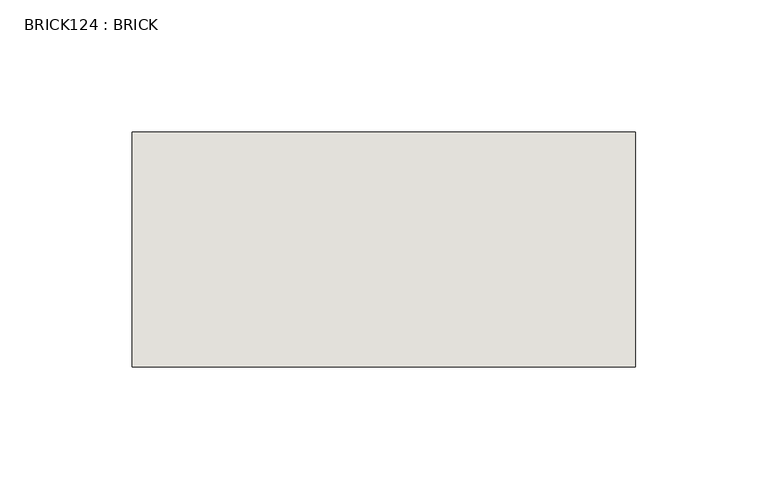
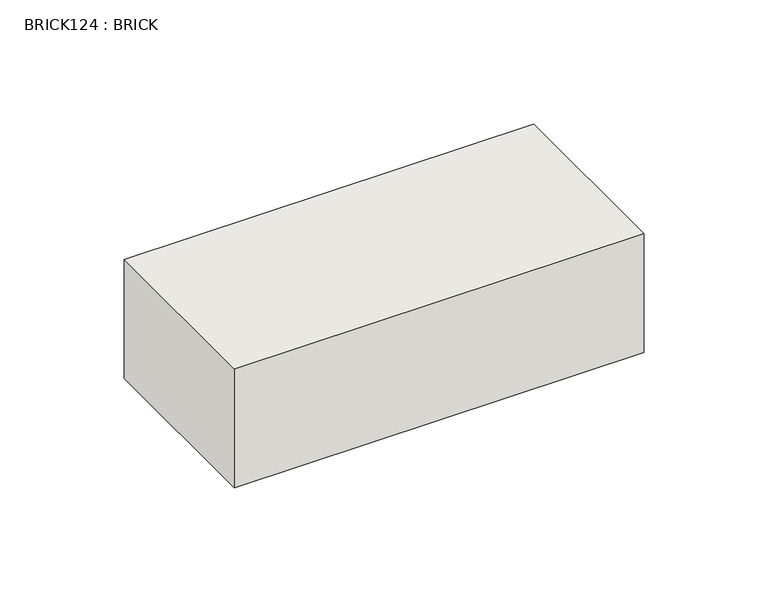
"""IFC4 building model written with IfcOpenShell, lengths in millimetres: wall geometry, BRICK124 : BRICK."""

from ifc_helpers import new_model, si_unit, frame, origin, place, context, project, spatial, polyline, outline, extrude, source, transform, mapped, element, save


def brick124_brick_8905b871(model_context):
    return source(origin(), model_context, "Body", "SweptSolid", [
        extrude(outline(polyline([(528.9272594, 2586.2274125), (719.4272594, 2586.2274125), (719.4272594, 2497.3274125), (528.9272594, 2497.3274125), (528.9272594, 2586.2274125)])), frame((0.0, 0.0, 4.1671875), z_axis=(0.0, 0.0, 1.0), x_axis=(1.0, 0.0, 0.0)), (0.0, 0.0, 1.0), 58.4398437),
    ])


if __name__ == "__main__":
    model = new_model("IFC4")
    model_context = context("Model", 3, world=origin())
    ifc_project = project(units=[si_unit("LENGTHUNIT", "METRE", prefix="MILLI")], contexts=[model_context])
    site = spatial("IfcSite", under=ifc_project)
    building = spatial("IfcBuilding", under=site)
    placement = place(None, origin())
    brick124_brick_shape = brick124_brick_8905b871(model_context)
    element("IfcWall", 1, ObjectType="BRICK124 : BRICK", at=placement, inside=building, context=model_context, shape_type="MappedRepresentation", body=[
        mapped(brick124_brick_shape, transform((0.0, 0.0, 0.0), x_axis=(1.0, 0.0, 0.0), y_axis=(0.0, 1.0, 0.0), z_axis=(0.0, 0.0, 1.0))),
    ])
    save(model, "model.ifc")
